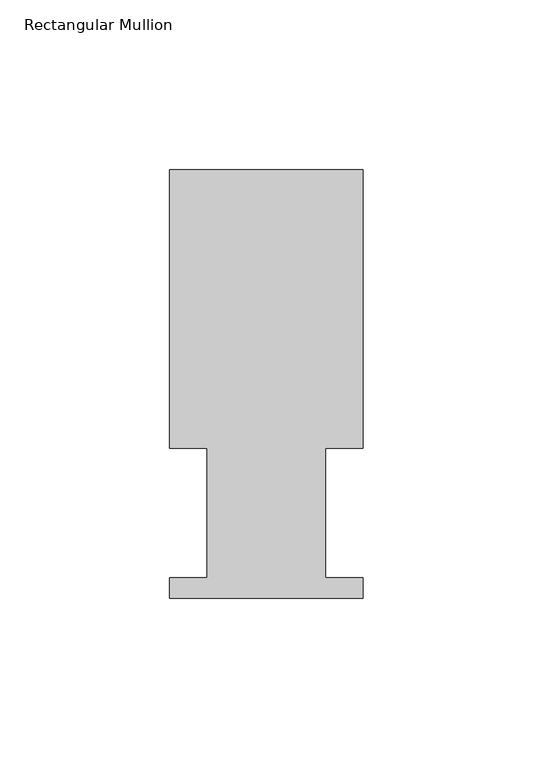
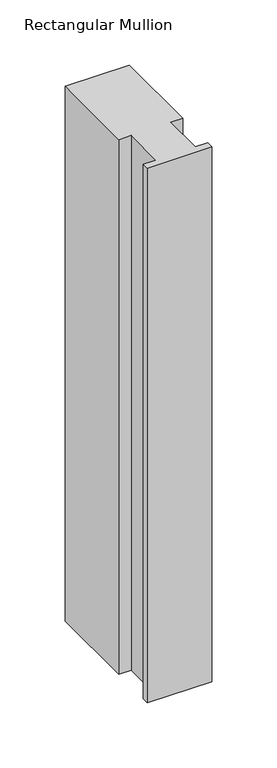
"""IFC4 building model written with IfcOpenShell, lengths in millimetres: member geometry, Rectangular Mullion."""

from ifc_helpers import new_model, si_unit, frame, origin, place, context, project, spatial, polyline, outline, extrude, source, transform, mapped, element, save


def rectangular_mullion_162ec2d7(model_context):
    return source(origin(), model_context, "Body", "SweptSolid", [
        extrude(outline(polyline([(0.0, 126.619), (0.0, 44.45), (-11.1120704, 44.45), (-11.1120704, 6.35), (0.0, 6.35), (0.0, 0.2798837), (-57.15, 0.2798837), (-57.15, 6.35), (-46.0370705, 6.35), (-46.0370705, 44.45), (-57.15, 44.45), (-57.15, 126.619), (0.0, 126.619)])), frame((0.0, 0.0, -501.65), z_axis=(0.0, 0.0, 1.0), x_axis=(1.0, 0.0, 0.0)), (0.0, 0.0, 1.0), 501.65),
    ])


if __name__ == "__main__":
    model = new_model("IFC4")
    model_context = context("Model", 3, world=origin())
    ifc_project = project(units=[si_unit("LENGTHUNIT", "METRE", prefix="MILLI")], contexts=[model_context])
    site = spatial("IfcSite", under=ifc_project)
    building = spatial("IfcBuilding", under=site)
    placement = place(None, origin())
    rectangular_mullion_shape = rectangular_mullion_162ec2d7(model_context)
    element("IfcMember", 1, ObjectType="Rectangular Mullion", at=placement, inside=building, context=model_context, shape_type="MappedRepresentation", body=[
        mapped(rectangular_mullion_shape, transform((0.0, 0.0, 0.0), x_axis=(1.0, 0.0, 0.0), y_axis=(0.0, 1.0, 0.0), z_axis=(0.0, 0.0, 1.0))),
    ])
    save(model, "model.ifc")
